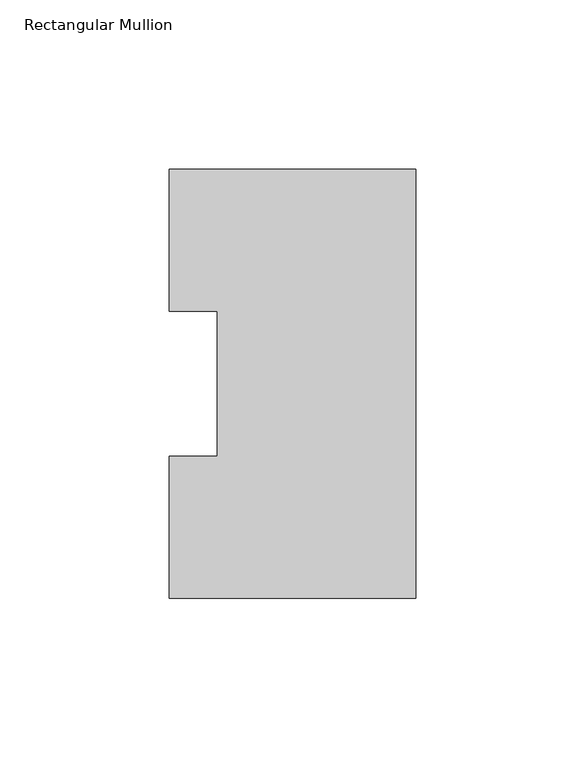
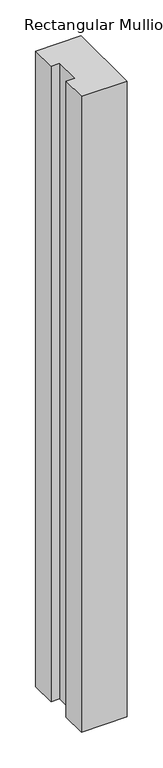
"""IFC4 building model written with IfcOpenShell, lengths in millimetres: member geometry, Rectangular Mullion."""

from ifc_helpers import new_model, si_unit, frame, origin, place, context, project, spatial, polyline, outline, extrude, source, transform, mapped, element, save


def rectangular_mullion_8de94cd1(model_context):
    return source(origin(), model_context, "Body", "SweptSolid", [
        extrude(outline(polyline([(0.0, 127.006348), (0.0, 0.0063465), (-73.025, 0.0063465), (-73.025, 42.0814491), (-58.7375, 42.0814491), (-58.7375, 84.93125), (-73.025, 84.93125), (-73.025, 127.006348), (0.0, 127.006348)])), frame((0.0, 0.0, -1079.5), z_axis=(0.0, 0.0, 1.0), x_axis=(1.0, 0.0, 0.0)), (0.0, 0.0, 1.0), 1079.5),
    ])


if __name__ == "__main__":
    model = new_model("IFC4")
    model_context = context("Model", 3, world=origin())
    ifc_project = project(units=[si_unit("LENGTHUNIT", "METRE", prefix="MILLI")], contexts=[model_context])
    site = spatial("IfcSite", under=ifc_project)
    building = spatial("IfcBuilding", under=site)
    placement = place(None, origin())
    rectangular_mullion_shape = rectangular_mullion_8de94cd1(model_context)
    element("IfcMember", 1, ObjectType="Rectangular Mullion", at=placement, inside=building, context=model_context, shape_type="MappedRepresentation", body=[
        mapped(rectangular_mullion_shape, transform((0.0, 0.0, 0.0), x_axis=(1.0, 0.0, 0.0), y_axis=(0.0, 1.0, 0.0), z_axis=(0.0, 0.0, 1.0))),
    ])
    save(model, "model.ifc")
